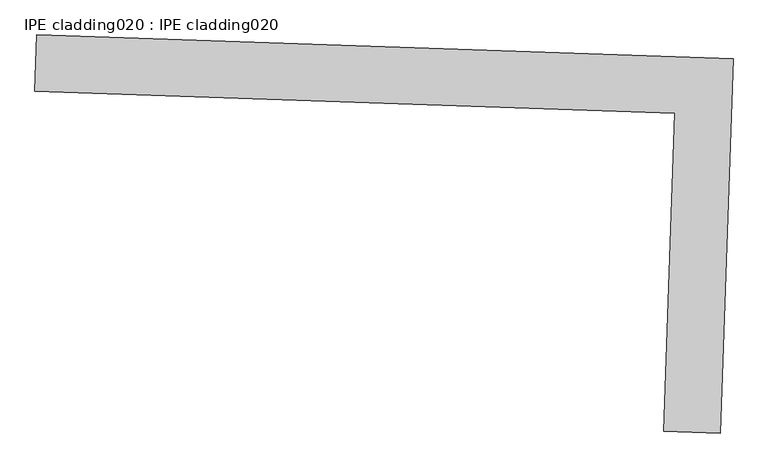
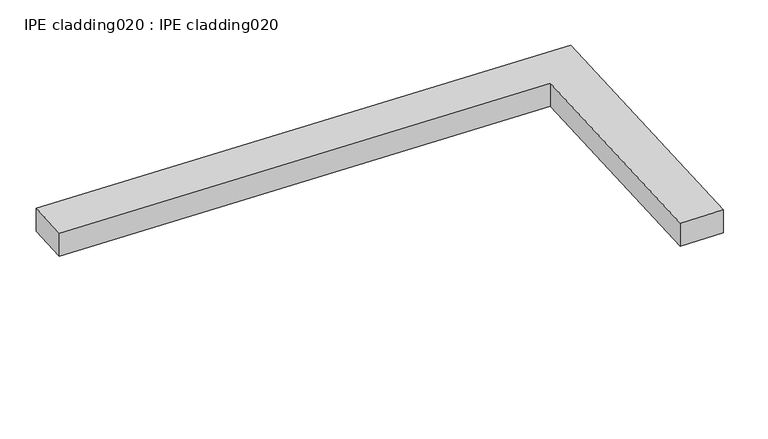
"""IFC4 building model written with IfcOpenShell, lengths in millimetres: proxy geometry, IPE cladding020 : IPE cladding020."""

import ifcopenshell
import ifcopenshell.guid

model = None  # the IFC model being written
_history = None  # IfcOwnerHistory: only IFC2X3 demands one
_inside = {}  # id of a spatial element -> (the spatial element, [elements in it])
_under = {}  # id of a project, library or spatial element -> (it, [spatial elements below it])
_declared = {}  # id of a project -> (the project, [libraries it declares])
_typed = {}  # id of a type object -> (the type object, [elements of that type])
_made_of = {}  # id of a material, layer set ... -> (it, [elements and type objects made of it])


def new_model(schema):
    """Start an empty IFC model of exactly this schema.

    Asked for "IFC4X3", IfcOpenShell would pick the latest addendum, in which some entities
    have other attributes; the version numbers below select the first issue.
    IFC2X3 requires an IfcOwnerHistory on every rooted entity: one is made here for all.
    """
    global model, _history
    if schema == "IFC4X3":
        model = ifcopenshell.file(schema_version=(4, 3, 0, 0))
    else:
        model = ifcopenshell.file(schema=schema)
    _inside.clear()
    _under.clear()
    _declared.clear()
    _typed.clear()
    _made_of.clear()
    _history = None
    if model.schema == "IFC2X3":
        org = make("IfcOrganization", Name="unknown")
        user = make(
            "IfcPersonAndOrganization",
            ThePerson=make("IfcPerson", FamilyName="unknown"),
            TheOrganization=org,
        )
        app = make(
            "IfcApplication",
            ApplicationDeveloper=org,
            Version="unknown",
            ApplicationFullName="unknown",
            ApplicationIdentifier="unknown",
        )
        _history = make(
            "IfcOwnerHistory",
            OwningUser=user,
            OwningApplication=app,
            ChangeAction="ADDED",
            CreationDate=0,
        )
    return model


def make(cls, **values):
    """One entity of the class cls with the attributes given. An attribute that is None is left unset."""
    return model.create_entity(
        cls, **{name: value for name, value in values.items() if value is not None}
    )


def rooted(cls, **values):
    """An entity with a GlobalId (a new one), such as an element, a storey or a relation."""
    return make(cls, GlobalId=ifcopenshell.guid.new(), OwnerHistory=_history, **values)


def si_unit(unit_type, name, prefix=None):
    """IfcSIUnit, for example si_unit("LENGTHUNIT", "METRE", prefix="MILLI")."""
    return make("IfcSIUnit", UnitType=unit_type, Prefix=prefix, Name=name)


def assignment(units):
    """IfcUnitAssignment: the units of a project."""
    return None if units is None else make("IfcUnitAssignment", Units=units)


def point(xyz):
    """IfcCartesianPoint."""
    return None if xyz is None else make("IfcCartesianPoint", Coordinates=xyz)


def direction(xyz):
    """IfcDirection."""
    return None if xyz is None else make("IfcDirection", DirectionRatios=xyz)


def frame(location, z_axis=None, x_axis=None):
    """IfcAxis2Placement3D, a coordinate frame: its origin and axes. An axis left out is left unset."""
    return make(
        "IfcAxis2Placement3D",
        Location=point(location),
        Axis=direction(z_axis),
        RefDirection=direction(x_axis),
    )


def origin():
    """The frame at (0, 0, 0) with its axes left unset."""
    return frame((0.0, 0.0, 0.0))


def place(relative_to, where):
    """IfcLocalPlacement: puts the frame where relative to a parent placement (None: the world)."""
    return make(
        "IfcLocalPlacement", PlacementRelTo=relative_to, RelativePlacement=where
    )


def context(
    kind, dimensions, precision=None, world=None, true_north=None, identifier=None
):
    """IfcGeometricRepresentationContext, for example the 3D "Model" context."""
    return make(
        "IfcGeometricRepresentationContext",
        ContextIdentifier=identifier,
        ContextType=kind,
        CoordinateSpaceDimension=dimensions,
        Precision=precision,
        WorldCoordinateSystem=world,
        TrueNorth=true_north,
    )


def project(units=None, contexts=None):
    """IfcProject with its units and contexts."""
    return rooted(
        "IfcProject",
        Name="project",
        RepresentationContexts=contexts,
        UnitsInContext=assignment(units),
    )


def spatial(cls, under=None, at=None, **own):
    """A site, building, storey or space (cls), placed at a placement, below another one or the project."""
    s = rooted(cls, ObjectPlacement=at, **own)
    if under is not None:
        _under.setdefault(under.id(), (under, []))[1].append(s)
    return s


def polyline(points):
    """IfcPolyline through the points."""
    return make("IfcPolyline", Points=[point(p) for p in points])


def outline(outer, holes=None, kind="AREA"):
    """IfcArbitraryClosedProfileDef: a profile drawn as a closed curve; with holes, ...WithVoids."""
    if holes is None:
        return make("IfcArbitraryClosedProfileDef", ProfileType=kind, OuterCurve=outer)
    return make(
        "IfcArbitraryProfileDefWithVoids",
        ProfileType=kind,
        OuterCurve=outer,
        InnerCurves=holes,
    )


def extrude(swept, where, along, depth):
    """IfcExtrudedAreaSolid: the profile swept, set in the frame where, extruded along a direction by depth."""
    return make(
        "IfcExtrudedAreaSolid",
        SweptArea=swept,
        Position=where,
        ExtrudedDirection=direction(along),
        Depth=depth,
    )


def shape(context_of_items, identifier, shape_type, items):
    """IfcShapeRepresentation: the items that make up one representation, for example the "Body"."""
    return make(
        "IfcShapeRepresentation",
        ContextOfItems=context_of_items,
        RepresentationIdentifier=identifier,
        RepresentationType=shape_type,
        Items=items,
    )


def source(mapping_origin, context_of_items, identifier, shape_type, items):
    """IfcRepresentationMap: a shape defined once, which mapped items show again and again."""
    return make(
        "IfcRepresentationMap",
        MappingOrigin=mapping_origin,
        MappedRepresentation=shape(context_of_items, identifier, shape_type, items),
    )


def transform(
    local_origin,
    x_axis=None,
    y_axis=None,
    z_axis=None,
    scale=None,
    scale2=None,
    scale3=None,
    uniform=True,
):
    """IfcCartesianTransformationOperator3D, or its non-uniform kind. x_axis, y_axis, z_axis: its Axis1, 2, 3."""
    if uniform:
        return make(
            "IfcCartesianTransformationOperator3D",
            Axis1=direction(x_axis),
            Axis2=direction(y_axis),
            LocalOrigin=point(local_origin),
            Scale=scale,
            Axis3=direction(z_axis),
        )
    return make(
        "IfcCartesianTransformationOperator3DnonUniform",
        Axis1=direction(x_axis),
        Axis2=direction(y_axis),
        LocalOrigin=point(local_origin),
        Scale=scale,
        Axis3=direction(z_axis),
        Scale2=scale2,
        Scale3=scale3,
    )


def mapped(mapping_source, mapping_target):
    """IfcMappedItem: shows the shape of a source again, moved by a transform."""
    return make(
        "IfcMappedItem", MappingSource=mapping_source, MappingTarget=mapping_target
    )


def made_of(thing, what):
    """Note that an element or type object is made of a material, layer set ...; save() writes the relation."""
    if what is not None:
        _made_of.setdefault(what.id(), (what, []))[1].append(thing)
    return thing


def element(
    cls,
    number,
    at=None,
    inside=None,
    cuts=None,
    type_object=None,
    material=None,
    context=None,
    identifier="Body",
    shape_type=None,
    held_by="IfcProductDefinitionShape",
    body=None,
    shapes=None,
    **own,
):
    """One element of the class cls, such as IfcWall. Its Tag is "e" and its number.

    at: its placement. inside: the storey or other place that contains it. cuts: it is an
    opening in that element (IfcRelVoidsElement). A single representation is given by context,
    identifier, shape_type and body (its items); several are given by shapes. held_by: the class
    of the entity that holds the representations. save() writes the other relations.
    """
    e = rooted(cls, Tag="e%d" % number, ObjectPlacement=at, **own)
    if body is not None:
        shapes = [shape(context, identifier, shape_type, body)]
    if shapes is not None:
        e.Representation = make(held_by, Representations=shapes)
    if inside is not None:
        _inside.setdefault(inside.id(), (inside, []))[1].append(e)
    if cuts is not None:
        rooted(
            "IfcRelVoidsElement", RelatingBuildingElement=cuts, RelatedOpeningElement=e
        )
    if type_object is not None:
        _typed.setdefault(type_object.id(), (type_object, []))[1].append(e)
    return made_of(e, material)


def aggregate(whole, parts):
    """IfcRelAggregates: a whole, such as a stair, and the parts it consists of."""
    return rooted("IfcRelAggregates", RelatingObject=whole, RelatedObjects=parts)


def save(model, path):
    """Write the relations noted so far, then the file.

    IfcRelAggregates (storeys below a building ...), IfcRelContainedInSpatialStructure (elements
    in a storey), IfcRelDefinesByType, IfcRelAssociatesMaterial and IfcRelDeclares: one each for
    every whole, place, type object, material and project.
    """
    for whole, parts in _under.values():
        aggregate(whole, parts)
    for where, things in _inside.values():
        rooted(
            "IfcRelContainedInSpatialStructure",
            RelatedElements=things,
            RelatingStructure=where,
        )
    for kind, things in _typed.values():
        rooted("IfcRelDefinesByType", RelatedObjects=things, RelatingType=kind)
    for what, things in _made_of.values():
        rooted("IfcRelAssociatesMaterial", RelatedObjects=things, RelatingMaterial=what)
    for by, libraries in _declared.values():
        rooted("IfcRelDeclares", RelatingContext=by, RelatedDefinitions=libraries)
    model.write(path)


def ipe_cladding020_ipe_cladding020_fc43954e(model_context):
    return source(origin(), model_context, "Body", "SweptSolid", [
        extrude(outline(polyline([(17306.503674, -14579.7359069), (17309.5442109, -14490.887918), (18404.9713724, -14528.3753905), (18384.8189492, -15117.2524291), (18295.9709602, -15114.2118925), (18313.0828469, -14614.1828426), (17306.503674, -14579.7359069)])), frame((0.0, 0.0, 2563.175707), z_axis=(0.0, 0.0, 1.0), x_axis=(1.0, 0.0, 0.0)), (0.0, 0.0, 1.0), 50.8),
    ])


if __name__ == "__main__":
    model = new_model("IFC4")
    model_context = context("Model", 3, world=origin())
    ifc_project = project(units=[si_unit("LENGTHUNIT", "METRE", prefix="MILLI")], contexts=[model_context])
    site = spatial("IfcSite", under=ifc_project)
    building = spatial("IfcBuilding", under=site)
    placement = place(None, origin())
    ipe_cladding020_ipe_cladding020_shape = ipe_cladding020_ipe_cladding020_fc43954e(model_context)
    element("IfcBuildingElementProxy", 1, Name="IPE cladding020 : IPE cladding020", ObjectType="IPE cladding020 : IPE cladding020", at=placement, inside=building, context=model_context, shape_type="MappedRepresentation", body=[
        mapped(ipe_cladding020_ipe_cladding020_shape, transform((0.0, 0.0, 0.0), x_axis=(1.0, 0.0, 0.0), y_axis=(0.0, 1.0, 0.0), z_axis=(0.0, 0.0, 1.0))),
    ])
    save(model, "model.ifc")
